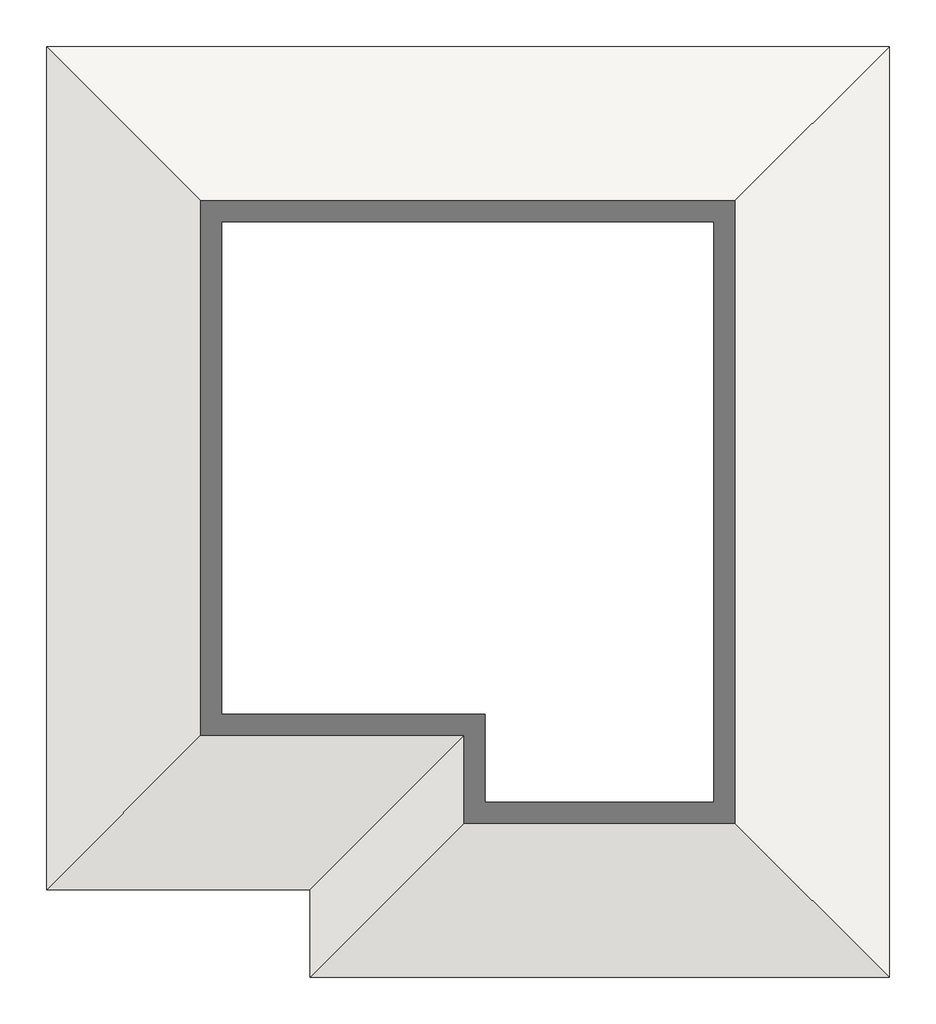
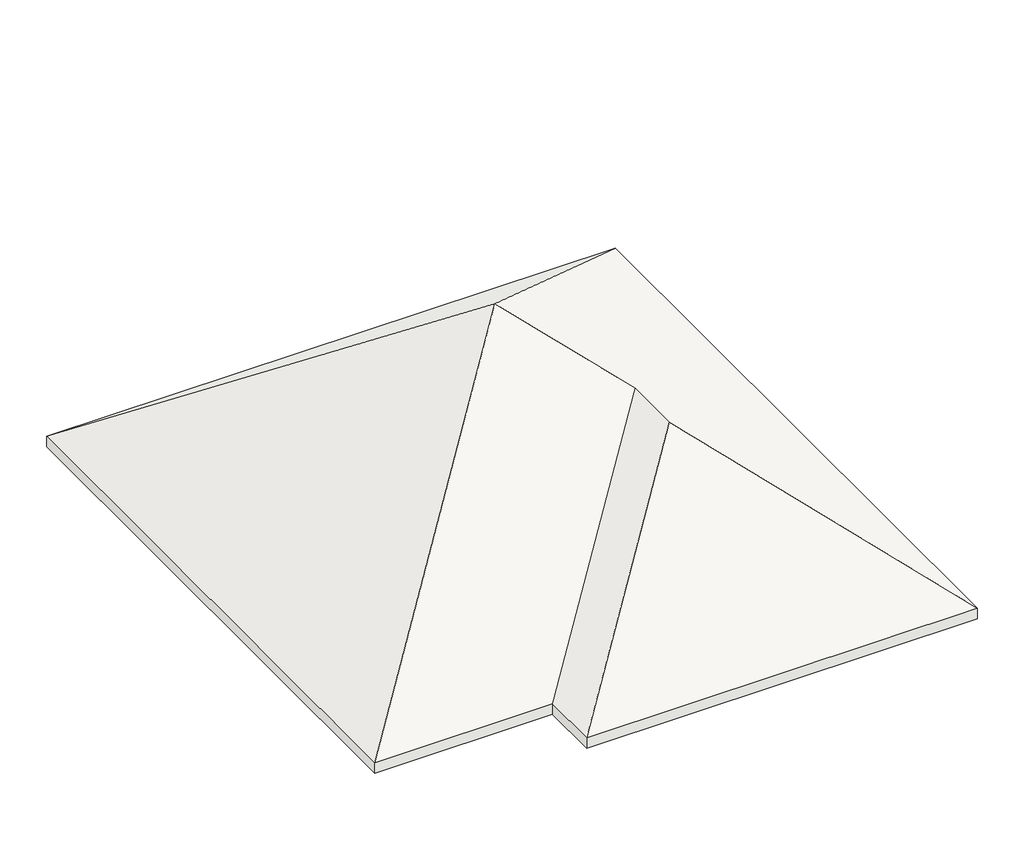
# One storey: 6 walls, 1 roof.
"""IFC4 building model written with IfcOpenShell, lengths in millimetres."""

from ifc_helpers import new_model, si_unit, frame, origin, place, context, project, spatial, polyline, outline, extrude, faceted_brep, element, save

model = new_model("IFC4")

# Units and contexts
model_context = context("Model", 3, world=origin())
ifc_project = project(units=[si_unit("LENGTHUNIT", "METRE", prefix="MILLI")], contexts=[model_context])

# Site, building, storey
site = spatial("IfcSite", under=ifc_project)
building = spatial("IfcBuilding", under=site)
storey = spatial("IfcBuildingStorey", under=building, Elevation=6190.0)

# Roof
placement = place(None, origin())
element("IfcRoof", 1, at=placement, inside=storey, context=model_context, shape_type="Brep", body=[
    faceted_brep([(-7383.694566, -2274.9034387, 5890.0), (-2583.694566, 2525.0965613, 9490.0), (-1083.694566, 1025.0965613, 8365.0), (-4383.694566, -2274.9034387, 5890.0), (-4383.694566, -3274.9034387, 5890.0), (-1083.694566, 25.0965613, 8365.0), (2216.305434, -3274.9034387, 5890.0), (-7383.694566, 7325.0965613, 5890.0), (2216.305434, 7325.0965613, 5890.0), (-7383.694566, -2274.9034387, 6077.5), (-4383.694566, -2274.9034387, 6077.5), (-1083.694566, 1025.0965613, 8552.5), (-2583.694566, 2525.0965613, 9677.5), (-4383.694566, -3274.9034387, 6077.5), (-1083.694566, 25.0965613, 8552.5), (2216.305434, -3274.9034387, 6077.5), (-7383.694566, 7325.0965613, 6077.5), (2216.305434, 7325.0965613, 6077.5)], [[[0, 1, 2, 3]], [[4, 3, 2, 5]], [[4, 5, 6]], [[7, 1, 0]], [[8, 6, 5, 2, 1]], [[8, 1, 7]], [[9, 10, 11, 12]], [[10, 13, 14, 11]], [[13, 15, 14]], [[16, 9, 12]], [[17, 12, 11, 14, 15]], [[17, 16, 12]], [[7, 16, 17, 8]], [[0, 9, 16, 7]], [[3, 10, 9, 0]], [[4, 13, 10, 3]], [[6, 15, 13, 4]], [[8, 17, 15, 6]]]),
])

# Walls
element("IfcWall", 2, at=placement, inside=storey, context=model_context, shape_type="Brep", body=[
    faceted_brep([(-6583.694566, 6275.0965613, 6190.0), (-6333.694566, 6275.0965613, 6190.0), (1166.305434, 6275.0965613, 6190.0), (1416.305434, 6275.0965613, 6190.0), (1416.305434, 6275.0965613, 6490.0), (1166.305434, 6275.0965613, 6677.5), (-6333.694566, 6275.0965613, 6677.5), (-6583.694566, 6275.0965613, 6490.0), (-6583.694566, 6525.0965613, 6190.0), (-6583.694566, 6525.0965613, 6490.0), (1416.305434, 6525.0965613, 6490.0), (1416.305434, 6525.0965613, 6190.0)], [[[0, 1, 2, 3, 4, 5, 6, 7]], [[8, 9, 10, 11]], [[3, 2, 1, 0, 8, 11]], [[4, 3, 11, 10]], [[0, 7, 9, 8]], [[7, 6, 9]], [[6, 5, 10, 9]], [[5, 4, 10]]]),
])
element("IfcWall", 3, at=placement, inside=storey, context=model_context, shape_type="Brep", body=[
    faceted_brep([(1166.305434, 6275.0965613, 6190.0), (1166.305434, -2224.9034387, 6190.0), (1166.305434, -2474.9034387, 6190.0), (1166.305434, -2474.9034387, 6490.0), (1166.305434, -2224.9034387, 6677.5), (1166.305434, 6275.0965613, 6677.5), (1416.305434, 6275.0965613, 6190.0), (1416.305434, 6275.0965613, 6490.0), (1416.305434, -2474.9034387, 6490.0), (1416.305434, -2474.9034387, 6190.0)], [[[0, 1, 2, 3, 4, 5]], [[6, 7, 8, 9]], [[2, 1, 0, 6, 9]], [[0, 5, 7, 6]], [[3, 2, 9, 8]], [[5, 4, 8, 7]], [[4, 3, 8]]]),
])
element("IfcWall", 4, at=placement, inside=storey, context=model_context, shape_type="SweptSolid", body=[
    extrude(outline(polyline([(-2224.9034387, 6677.5), (-2224.9034387, 6190.0), (-2474.9034387, 6190.0), (-2474.9034387, 6490.0), (-2224.9034387, 6677.5)])), frame((-3333.694566, 0.0, 0.0), z_axis=(1.0, 0.0, 0.0), x_axis=(0.0, 1.0, 0.0)), (0.0, 0.0, 1.0), 4500.0),
])
element("IfcWall", 5, at=placement, inside=storey, context=model_context, shape_type="Brep", body=[
    faceted_brep([(-3333.694566, -2474.9034387, 6190.0), (-3333.694566, -2224.9034387, 6190.0), (-3333.694566, -1224.9034387, 6190.0), (-3333.694566, -1224.9034387, 6677.5), (-3333.694566, -2224.9034387, 6677.5), (-3333.694566, -2474.9034387, 6490.0), (-3583.694566, -2474.9034387, 6190.0), (-3583.694566, -2474.9034387, 6490.0), (-3583.694566, -1474.9034387, 6490.0), (-3583.694566, -1224.9034387, 6677.5), (-3583.694566, -1224.9034387, 6190.0), (-3583.694566, -1474.9034387, 6190.0)], [[[0, 1, 2, 3, 4, 5]], [[6, 7, 8, 9, 10, 11]], [[2, 1, 0, 6, 11, 10]], [[0, 5, 7, 6]], [[3, 2, 10, 9]], [[5, 4, 7]], [[4, 3, 8, 7]], [[3, 9, 8]]]),
])
element("IfcWall", 6, at=placement, inside=storey, context=model_context, shape_type="Brep", body=[
    faceted_brep([(-3583.694566, -1224.9034387, 6190.0), (-6333.694566, -1224.9034387, 6190.0), (-6583.694566, -1224.9034387, 6190.0), (-6583.694566, -1224.9034387, 6490.0), (-6333.694566, -1224.9034387, 6677.5), (-3583.694566, -1224.9034387, 6677.5), (-3583.694566, -1474.9034387, 6190.0), (-3583.694566, -1474.9034387, 6490.0), (-6583.694566, -1474.9034387, 6490.0), (-6583.694566, -1474.9034387, 6190.0)], [[[0, 1, 2, 3, 4, 5]], [[6, 7, 8, 9]], [[2, 1, 0, 6, 9]], [[0, 5, 7, 6]], [[3, 2, 9, 8]], [[5, 4, 8, 7]], [[4, 3, 8]]]),
])
element("IfcWall", 7, at=placement, inside=storey, context=model_context, shape_type="SweptSolid", body=[
    extrude(outline(polyline([(6190.0, -6333.694566), (6677.5, -6333.694566), (6490.0, -6583.694566), (6190.0, -6583.694566), (6190.0, -6333.694566)])), frame((0.0, -1224.9034387, 0.0), z_axis=(0.0, 1.0, 0.0), x_axis=(0.0, 0.0, 1.0)), (0.0, 0.0, 1.0), 7500.0),
])

save(model, "model.ifc")
